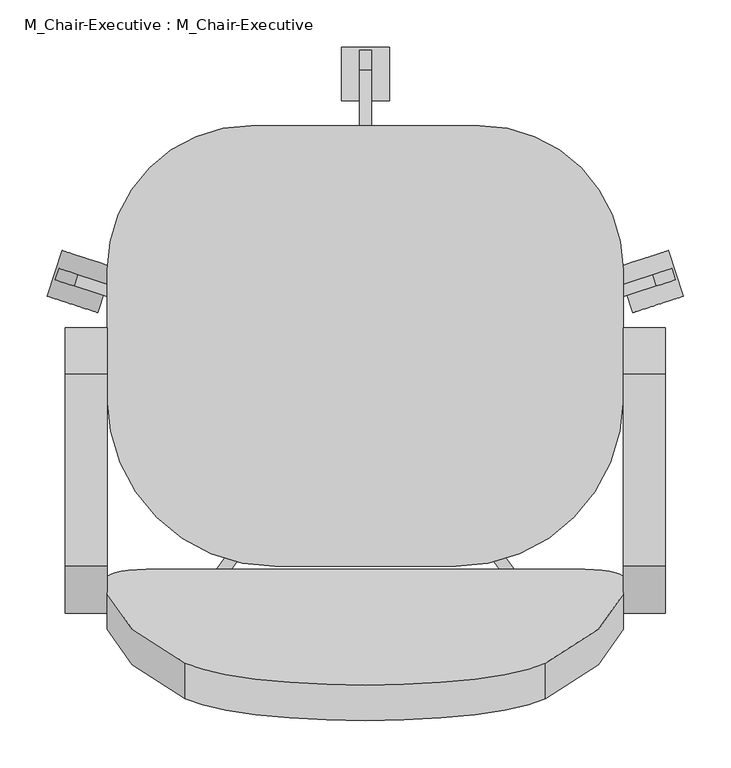
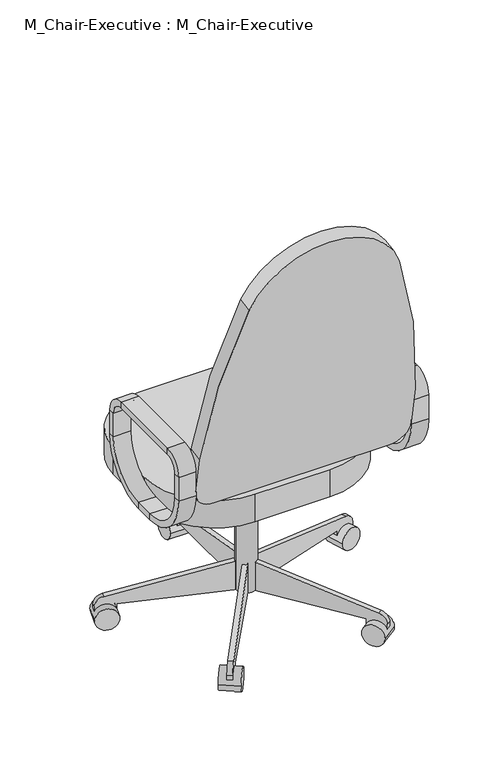
"""IFC4 building model written with IfcOpenShell, lengths in millimetres: furniture geometry, M_Chair-Executive : M_Chair-Executive."""

from ifc_helpers import new_model, si_unit, point, frame, frame_2d, origin, place, context, project, spatial, polyline, circle_curve, trimmed, segment, composite_curve, outline, extrude, source, transform, mapped, element, save
from ifc_brep_helpers import plane_surface, cylinder_surface, revolved_surface, advanced_brep


def m_chair_executive_m_chair_executive_8d69e98c(model_context):
    return source(origin(), model_context, "Body", "SolidModel", [
        advanced_brep(
        [(-176.5091803, -217.7873012, 546.1), (-176.5091803, -108.0540984, 436.3667972), (-176.5091803, -108.0540984, 420.4917972), (-176.5091803, -233.6623012, 546.1), (-132.0591803, -217.7873012, 546.1), (-132.0591803, -108.0540984, 436.3667972), (-132.0591803, -233.6623012, 546.1), (-132.0591803, -108.0540984, 420.4917972), (-176.5091803, -233.6623012, 609.6), (-176.5091803, -217.7873012, 609.6), (-132.0591803, -217.7873012, 609.6), (-132.0591803, -233.6623012, 609.6), (-176.5091803, -184.2540984, 643.1332028), (-176.5091803, -184.2540984, 659.0082028), (-132.0591803, -184.2540984, 643.1332028), (-132.0591803, -184.2540984, 659.0082028), (-176.5091803, 18.9459016, 659.0082028), (-176.5091803, 18.9459016, 643.1332028), (-132.0591803, 18.9459016, 643.1332028), (-132.0591803, 18.9459016, 659.0082028), (-176.5091803, 52.4791044, 609.6), (-176.5091803, 68.3541044, 609.6), (-132.0591803, 52.4791044, 609.6), (-132.0591803, 68.3541044, 609.6), (-176.5091803, 68.3541044, 546.1), (-176.5091803, 52.4791044, 546.1), (-132.0591803, 52.4791044, 546.1), (-132.0591803, 68.3541044, 546.1), (-176.5091803, -57.2540984, 436.3667972), (-176.5091803, -57.2540984, 420.4917972), (-132.0591803, -57.2540984, 436.3667972), (-132.0591803, -57.2540984, 420.4917972)],
        [
            (0, 1, circle_curve(frame((-176.5091803, -108.0540984, 546.1), z_axis=(1.0, 0.0, 0.0), x_axis=(0.0, 0.0, -1.0)), 109.7332028)),
            (1, 2),
            (2, 3, circle_curve(frame((-176.5091803, -108.0540984, 546.1), z_axis=(-1.0, 0.0, 0.0), x_axis=(0.0, 0.0, -1.0)), 125.6082028)),
            (3, 0),
            (4, 5, circle_curve(frame((-132.0591803, -108.0540984, 546.1), z_axis=(1.0, 0.0, 0.0), x_axis=(0.0, 0.0, -1.0)), 109.7332028)),
            (5, 1),
            (0, 4),
            (6, 7, circle_curve(frame((-132.0591803, -108.0540984, 546.1), z_axis=(1.0, 0.0, 0.0), x_axis=(0.0, 0.0, -1.0)), 125.6082028)),
            (7, 5),
            (4, 6),
            (2, 7),
            (6, 3),
            (3, 8),
            (8, 9),
            (9, 0),
            (9, 10),
            (10, 4),
            (10, 11),
            (11, 6),
            (11, 8),
            (12, 9, circle_curve(frame((-176.5091803, -184.2540984, 609.6), z_axis=(1.0, 0.0, 0.0), x_axis=(0.0, -1.0, 0.0)), 33.5332028)),
            (8, 13, circle_curve(frame((-176.5091803, -184.2540984, 609.6), z_axis=(-1.0, 0.0, 0.0), x_axis=(0.0, -1.0, 0.0)), 49.4082028)),
            (13, 12),
            (14, 10, circle_curve(frame((-132.0591803, -184.2540984, 609.6), z_axis=(1.0, 0.0, 0.0), x_axis=(0.0, -1.0, 0.0)), 33.5332028)),
            (12, 14),
            (15, 11, circle_curve(frame((-132.0591803, -184.2540984, 609.6), z_axis=(1.0, 0.0, 0.0), x_axis=(0.0, -1.0, 0.0)), 49.4082028)),
            (14, 15),
            (15, 13),
            (13, 16),
            (16, 17),
            (17, 12),
            (17, 18),
            (18, 14),
            (18, 19),
            (19, 15),
            (19, 16),
            (20, 17, circle_curve(frame((-176.5091803, 18.9459016, 609.6), z_axis=(1.0, 0.0, 0.0), x_axis=(0.0, 0.0, 1.0)), 33.5332028)),
            (16, 21, circle_curve(frame((-176.5091803, 18.9459016, 609.6), z_axis=(-1.0, 0.0, 0.0), x_axis=(0.0, 0.0, 1.0)), 49.4082028)),
            (21, 20),
            (22, 18, circle_curve(frame((-132.0591803, 18.9459016, 609.6), z_axis=(1.0, 0.0, 0.0), x_axis=(0.0, 0.0, 1.0)), 33.5332028)),
            (20, 22),
            (23, 19, circle_curve(frame((-132.0591803, 18.9459016, 609.6), z_axis=(1.0, 0.0, 0.0), x_axis=(0.0, 0.0, 1.0)), 49.4082028)),
            (22, 23),
            (23, 21),
            (21, 24),
            (24, 25),
            (25, 20),
            (25, 26),
            (26, 22),
            (26, 27),
            (27, 23),
            (27, 24),
            (28, 25, circle_curve(frame((-176.5091803, -57.2540984, 546.1), z_axis=(1.0, 0.0, 0.0), x_axis=(0.0, 1.0, 0.0)), 109.7332028)),
            (24, 29, circle_curve(frame((-176.5091803, -57.2540984, 546.1), z_axis=(-1.0, 0.0, 0.0), x_axis=(0.0, 1.0, 0.0)), 125.6082028)),
            (29, 28),
            (30, 26, circle_curve(frame((-132.0591803, -57.2540984, 546.1), z_axis=(1.0, 0.0, 0.0), x_axis=(0.0, 1.0, 0.0)), 109.7332028)),
            (28, 30),
            (31, 27, circle_curve(frame((-132.0591803, -57.2540984, 546.1), z_axis=(1.0, 0.0, 0.0), x_axis=(0.0, 1.0, 0.0)), 125.6082028)),
            (30, 31),
            (31, 29),
            (29, 2),
            (1, 28),
            (5, 30),
            (7, 31),
        ],
        [
            plane_surface(frame((-176.5091803, -108.0540984, 546.1), z_axis=(-1.0, 0.0, 0.0), x_axis=(0.0, 0.0, -1.0))),
            revolved_surface(polyline([(-176.5091803, -108.0540984, 436.3667972), (-132.0591803, -108.0540984, 436.3667972)]), (-132.0591803, -108.0540984, 546.1), (-1.0, 0.0, 0.0)),
            plane_surface(frame((-132.0591803, -108.0540984, 546.1), z_axis=(1.0, 0.0, 0.0), x_axis=(0.0, 0.0, -1.0))),
            cylinder_surface(frame((-132.0591803, -108.0540984, 546.1), z_axis=(-1.0, 0.0, 0.0), x_axis=(0.0, 0.0, -1.0)), 125.6082028),
            plane_surface(frame((-176.5091803, -233.6623012, 546.1), z_axis=(-1.0, 0.0, 0.0), x_axis=(0.0, 0.0, 1.0))),
            plane_surface(frame((-176.5091803, -217.7873012, 546.1), z_axis=(0.0, 1.0, 0.0), x_axis=(0.0, 0.0, 1.0))),
            plane_surface(frame((-132.0591803, -217.7873012, 546.1), z_axis=(1.0, 0.0, 0.0), x_axis=(0.0, 0.0, 1.0))),
            plane_surface(frame((-132.0591803, -233.6623012, 546.1), z_axis=(0.0, -1.0, 0.0), x_axis=(0.0, 0.0, 1.0))),
            plane_surface(frame((-176.5091803, -184.2540984, 609.6), z_axis=(-1.0, 0.0, 0.0), x_axis=(0.0, -1.0, 0.0))),
            revolved_surface(polyline([(-176.5091803, -217.7873012, 609.6), (-132.0591803, -217.7873012, 609.6)]), (-132.0591803, -184.2540984, 609.6), (-1.0, 0.0, 0.0)),
            plane_surface(frame((-132.0591803, -184.2540984, 609.6), z_axis=(1.0, 0.0, 0.0), x_axis=(0.0, -1.0, 0.0))),
            cylinder_surface(frame((-132.0591803, -184.2540984, 609.6), z_axis=(-1.0, 0.0, 0.0), x_axis=(0.0, -1.0, 0.0)), 49.4082028),
            plane_surface(frame((-176.5091803, -184.2540984, 659.0082028), z_axis=(-1.0, 0.0, 0.0), x_axis=(0.0, 1.0, 0.0))),
            plane_surface(frame((-176.5091803, -184.2540984, 643.1332028), z_axis=(0.0, 0.0, -1.0), x_axis=(0.0, 1.0, 0.0))),
            plane_surface(frame((-132.0591803, -184.2540984, 643.1332028), z_axis=(1.0, 0.0, 0.0), x_axis=(0.0, 1.0, 0.0))),
            plane_surface(frame((-132.0591803, -184.2540984, 659.0082028), z_axis=(0.0, 0.0, 1.0), x_axis=(0.0, 1.0, 0.0))),
            plane_surface(frame((-176.5091803, 18.9459016, 609.6), z_axis=(-1.0, 0.0, 0.0), x_axis=(0.0, 0.0, 1.0))),
            revolved_surface(polyline([(-176.5091803, 18.9459016, 643.1332028), (-132.0591803, 18.9459016, 643.1332028)]), (-132.0591803, 18.9459016, 609.6), (-1.0, 0.0, 0.0)),
            plane_surface(frame((-132.0591803, 18.9459016, 609.6), z_axis=(1.0, 0.0, 0.0), x_axis=(0.0, 0.0, 1.0))),
            cylinder_surface(frame((-132.0591803, 18.9459016, 609.6), z_axis=(-1.0, 0.0, 0.0), x_axis=(0.0, 0.0, 1.0)), 49.4082028),
            plane_surface(frame((-176.5091803, 68.3541044, 609.6), z_axis=(-1.0, 0.0, 0.0), x_axis=(0.0, 0.0, -1.0))),
            plane_surface(frame((-176.5091803, 52.4791044, 609.6), z_axis=(0.0, -1.0, 0.0), x_axis=(0.0, 0.0, -1.0))),
            plane_surface(frame((-132.0591803, 52.4791044, 609.6), z_axis=(1.0, 0.0, 0.0), x_axis=(0.0, 0.0, -1.0))),
            plane_surface(frame((-132.0591803, 68.3541044, 609.6), z_axis=(0.0, 1.0, 0.0), x_axis=(0.0, 0.0, -1.0))),
            plane_surface(frame((-176.5091803, -57.2540984, 546.1), z_axis=(-1.0, 0.0, 0.0), x_axis=(0.0, 1.0, 0.0))),
            revolved_surface(polyline([(-176.5091803, 52.479104400000004, 546.1), (-132.0591803, 52.479104400000004, 546.1)]), (-132.0591803, -57.2540984, 546.1), (-1.0, 0.0, 0.0)),
            plane_surface(frame((-132.0591803, -57.2540984, 546.1), z_axis=(1.0, 0.0, 0.0), x_axis=(0.0, 1.0, 0.0))),
            cylinder_surface(frame((-132.0591803, -57.2540984, 546.1), z_axis=(-1.0, 0.0, 0.0), x_axis=(0.0, 1.0, 0.0)), 125.6082028),
            plane_surface(frame((-176.5091803, -57.2540984, 420.4917972), z_axis=(-1.0, 0.0, 0.0), x_axis=(0.0, -1.0, 0.0))),
            plane_surface(frame((-176.5091803, -57.2540984, 436.3667972), z_axis=(0.0, 0.0, 1.0), x_axis=(0.0, -1.0, 0.0))),
            plane_surface(frame((-132.0591803, -57.2540984, 436.3667972), z_axis=(1.0, 0.0, 0.0), x_axis=(0.0, -1.0, 0.0))),
            plane_surface(frame((-132.0591803, -57.2540984, 420.4917972), z_axis=(0.0, 0.0, -1.0), x_axis=(0.0, -1.0, 0.0))),
        ],
        [
            (0, [[1, 2, 3, 4]]),
            (1, [[5, 6, -1, 7]]),
            (2, [[8, 9, -5, 10]]),
            (3, [[-3, 11, -8, 12]]),
            (4, [[-4, 13, 14, 15]]),
            (5, [[-7, -15, 16, 17]]),
            (6, [[-10, -17, 18, 19]]),
            (7, [[-12, -19, 20, -13]]),
            (8, [[21, -14, 22, 23]]),
            (9, [[24, -16, -21, 25]]),
            (10, [[26, -18, -24, 27]]),
            (11, [[-22, -20, -26, 28]]),
            (12, [[-23, 29, 30, 31]]),
            (13, [[-25, -31, 32, 33]]),
            (14, [[-27, -33, 34, 35]]),
            (15, [[-28, -35, 36, -29]]),
            (16, [[37, -30, 38, 39]]),
            (17, [[40, -32, -37, 41]]),
            (18, [[42, -34, -40, 43]]),
            (19, [[-38, -36, -42, 44]]),
            (20, [[-39, 45, 46, 47]]),
            (21, [[-41, -47, 48, 49]]),
            (22, [[-43, -49, 50, 51]]),
            (23, [[-44, -51, 52, -45]]),
            (24, [[53, -46, 54, 55]]),
            (25, [[56, -48, -53, 57]]),
            (26, [[58, -50, -56, 59]]),
            (27, [[-54, -52, -58, 60]]),
            (28, [[-55, 61, -2, 62]]),
            (29, [[-57, -62, -6, 63]]),
            (30, [[-59, -63, -9, 64]]),
            (31, [[-60, -64, -11, -61]]),
        ],
    ),
        advanced_brep(
        [(414.0408197, -233.6623012, 546.1), (414.0408197, -108.0540984, 420.4917972), (458.4908197, -108.0540984, 420.4917972), (458.4908197, -233.6623012, 546.1), (414.0408197, -217.7873012, 546.1), (414.0408197, -108.0540984, 436.3667972), (458.4908197, -217.7873012, 546.1), (458.4908197, -108.0540984, 436.3667972), (458.4908197, -233.6623012, 609.6), (414.0408197, -233.6623012, 609.6), (414.0408197, -217.7873012, 609.6), (458.4908197, -217.7873012, 609.6), (414.0408197, -184.2540984, 659.0082028), (458.4908197, -184.2540984, 659.0082028), (414.0408197, -184.2540984, 643.1332028), (458.4908197, -184.2540984, 643.1332028), (458.4908197, 18.9459016, 659.0082028), (414.0408197, 18.9459016, 659.0082028), (414.0408197, 18.9459016, 643.1332028), (458.4908197, 18.9459016, 643.1332028), (414.0408197, 68.3541044, 609.6), (458.4908197, 68.3541044, 609.6), (414.0408197, 52.4791044, 609.6), (458.4908197, 52.4791044, 609.6), (458.4908197, 68.3541044, 546.1), (414.0408197, 68.3541044, 546.1), (414.0408197, 52.4791044, 546.1), (458.4908197, 52.4791044, 546.1), (414.0408197, -57.2540984, 420.4917972), (458.4908197, -57.2540984, 420.4917972), (414.0408197, -57.2540984, 436.3667972), (458.4908197, -57.2540984, 436.3667972)],
        [
            (0, 1, circle_curve(frame((414.0408197, -108.0540984, 546.1), z_axis=(1.0, 0.0, 0.0), x_axis=(0.0, 0.0, -1.0)), 125.6082028)),
            (1, 2),
            (2, 3, circle_curve(frame((458.4908197, -108.0540984, 546.1), z_axis=(-1.0, 0.0, 0.0), x_axis=(0.0, 0.0, -1.0)), 125.6082028)),
            (3, 0),
            (4, 5, circle_curve(frame((414.0408197, -108.0540984, 546.1), z_axis=(1.0, 0.0, 0.0), x_axis=(0.0, 0.0, -1.0)), 109.7332028)),
            (5, 1),
            (0, 4),
            (6, 7, circle_curve(frame((458.4908197, -108.0540984, 546.1), z_axis=(1.0, 0.0, 0.0), x_axis=(0.0, 0.0, -1.0)), 109.7332028)),
            (7, 5),
            (4, 6),
            (2, 7),
            (6, 3),
            (3, 8),
            (8, 9),
            (9, 0),
            (9, 10),
            (10, 4),
            (10, 11),
            (11, 6),
            (11, 8),
            (12, 9, circle_curve(frame((414.0408197, -184.2540984, 609.6), z_axis=(1.0, 0.0, 0.0), x_axis=(0.0, -1.0, 0.0)), 49.4082028)),
            (8, 13, circle_curve(frame((458.4908197, -184.2540984, 609.6), z_axis=(-1.0, 0.0, 0.0), x_axis=(0.0, -1.0, 0.0)), 49.4082028)),
            (13, 12),
            (14, 10, circle_curve(frame((414.0408197, -184.2540984, 609.6), z_axis=(1.0, 0.0, 0.0), x_axis=(0.0, -1.0, 0.0)), 33.5332028)),
            (12, 14),
            (15, 11, circle_curve(frame((458.4908197, -184.2540984, 609.6), z_axis=(1.0, 0.0, 0.0), x_axis=(0.0, -1.0, 0.0)), 33.5332028)),
            (14, 15),
            (15, 13),
            (13, 16),
            (16, 17),
            (17, 12),
            (17, 18),
            (18, 14),
            (18, 19),
            (19, 15),
            (19, 16),
            (20, 17, circle_curve(frame((414.0408197, 18.9459016, 609.6), z_axis=(1.0, 0.0, 0.0), x_axis=(0.0, 0.0, 1.0)), 49.4082028)),
            (16, 21, circle_curve(frame((458.4908197, 18.9459016, 609.6), z_axis=(-1.0, 0.0, 0.0), x_axis=(0.0, 0.0, 1.0)), 49.4082028)),
            (21, 20),
            (22, 18, circle_curve(frame((414.0408197, 18.9459016, 609.6), z_axis=(1.0, 0.0, 0.0), x_axis=(0.0, 0.0, 1.0)), 33.5332028)),
            (20, 22),
            (23, 19, circle_curve(frame((458.4908197, 18.9459016, 609.6), z_axis=(1.0, 0.0, 0.0), x_axis=(0.0, 0.0, 1.0)), 33.5332028)),
            (22, 23),
            (23, 21),
            (21, 24),
            (24, 25),
            (25, 20),
            (25, 26),
            (26, 22),
            (26, 27),
            (27, 23),
            (27, 24),
            (28, 25, circle_curve(frame((414.0408197, -57.2540984, 546.1), z_axis=(1.0, 0.0, 0.0), x_axis=(0.0, 1.0, 0.0)), 125.6082028)),
            (24, 29, circle_curve(frame((458.4908197, -57.2540984, 546.1), z_axis=(-1.0, 0.0, 0.0), x_axis=(0.0, 1.0, 0.0)), 125.6082028)),
            (29, 28),
            (30, 26, circle_curve(frame((414.0408197, -57.2540984, 546.1), z_axis=(1.0, 0.0, 0.0), x_axis=(0.0, 1.0, 0.0)), 109.7332028)),
            (28, 30),
            (31, 27, circle_curve(frame((458.4908197, -57.2540984, 546.1), z_axis=(1.0, 0.0, 0.0), x_axis=(0.0, 1.0, 0.0)), 109.7332028)),
            (30, 31),
            (31, 29),
            (29, 2),
            (1, 28),
            (5, 30),
            (7, 31),
        ],
        [
            cylinder_surface(frame((414.0408197, -108.0540984, 546.1), z_axis=(-1.0, 0.0, 0.0), x_axis=(0.0, 0.0, -1.0)), 125.6082028),
            plane_surface(frame((414.0408197, -108.0540984, 546.1), z_axis=(-1.0, 0.0, 0.0), x_axis=(0.0, 0.0, -1.0))),
            revolved_surface(polyline([(414.0408197, -108.0540984, 436.3667972), (458.4908197, -108.0540984, 436.3667972)]), (414.0408197, -108.0540984, 546.1), (-1.0, 0.0, 0.0)),
            plane_surface(frame((458.4908197, -108.0540984, 546.1), z_axis=(1.0, 0.0, 0.0), x_axis=(0.0, 0.0, -1.0))),
            plane_surface(frame((458.4908197, -233.6623012, 546.1), z_axis=(0.0, -1.0, 0.0), x_axis=(0.0, 0.0, 1.0))),
            plane_surface(frame((414.0408197, -233.6623012, 546.1), z_axis=(-1.0, 0.0, 0.0), x_axis=(0.0, 0.0, 1.0))),
            plane_surface(frame((414.0408197, -217.7873012, 546.1), z_axis=(0.0, 1.0, 0.0), x_axis=(0.0, 0.0, 1.0))),
            plane_surface(frame((458.4908197, -217.7873012, 546.1), z_axis=(1.0, 0.0, 0.0), x_axis=(0.0, 0.0, 1.0))),
            cylinder_surface(frame((414.0408197, -184.2540984, 609.6), z_axis=(-1.0, 0.0, 0.0), x_axis=(0.0, -1.0, 0.0)), 49.4082028),
            plane_surface(frame((414.0408197, -184.2540984, 609.6), z_axis=(-1.0, 0.0, 0.0), x_axis=(0.0, -1.0, 0.0))),
            revolved_surface(polyline([(414.0408197, -217.7873012, 609.6), (458.4908197, -217.7873012, 609.6)]), (414.0408197, -184.2540984, 609.6), (-1.0, 0.0, 0.0)),
            plane_surface(frame((458.4908197, -184.2540984, 609.6), z_axis=(1.0, 0.0, 0.0), x_axis=(0.0, -1.0, 0.0))),
            plane_surface(frame((458.4908197, -184.2540984, 659.0082028), z_axis=(0.0, 0.0, 1.0), x_axis=(0.0, 1.0, 0.0))),
            plane_surface(frame((414.0408197, -184.2540984, 659.0082028), z_axis=(-1.0, 0.0, 0.0), x_axis=(0.0, 1.0, 0.0))),
            plane_surface(frame((414.0408197, -184.2540984, 643.1332028), z_axis=(0.0, 0.0, -1.0), x_axis=(0.0, 1.0, 0.0))),
            plane_surface(frame((458.4908197, -184.2540984, 643.1332028), z_axis=(1.0, 0.0, 0.0), x_axis=(0.0, 1.0, 0.0))),
            cylinder_surface(frame((414.0408197, 18.9459016, 609.6), z_axis=(-1.0, 0.0, 0.0), x_axis=(0.0, 0.0, 1.0)), 49.4082028),
            plane_surface(frame((414.0408197, 18.9459016, 609.6), z_axis=(-1.0, 0.0, 0.0), x_axis=(0.0, 0.0, 1.0))),
            revolved_surface(polyline([(414.0408197, 18.9459016, 643.1332028), (458.4908197, 18.9459016, 643.1332028)]), (414.0408197, 18.9459016, 609.6), (-1.0, 0.0, 0.0)),
            plane_surface(frame((458.4908197, 18.9459016, 609.6), z_axis=(1.0, 0.0, 0.0), x_axis=(0.0, 0.0, 1.0))),
            plane_surface(frame((458.4908197, 68.3541044, 609.6), z_axis=(0.0, 1.0, 0.0), x_axis=(0.0, 0.0, -1.0))),
            plane_surface(frame((414.0408197, 68.3541044, 609.6), z_axis=(-1.0, 0.0, 0.0), x_axis=(0.0, 0.0, -1.0))),
            plane_surface(frame((414.0408197, 52.4791044, 609.6), z_axis=(0.0, -1.0, 0.0), x_axis=(0.0, 0.0, -1.0))),
            plane_surface(frame((458.4908197, 52.4791044, 609.6), z_axis=(1.0, 0.0, 0.0), x_axis=(0.0, 0.0, -1.0))),
            cylinder_surface(frame((414.0408197, -57.2540984, 546.1), z_axis=(-1.0, 0.0, 0.0), x_axis=(0.0, 1.0, 0.0)), 125.6082028),
            plane_surface(frame((414.0408197, -57.2540984, 546.1), z_axis=(-1.0, 0.0, 0.0), x_axis=(0.0, 1.0, 0.0))),
            revolved_surface(polyline([(414.0408197, 52.479104400000004, 546.1), (458.4908197, 52.479104400000004, 546.1)]), (414.0408197, -57.2540984, 546.1), (-1.0, 0.0, 0.0)),
            plane_surface(frame((458.4908197, -57.2540984, 546.1), z_axis=(1.0, 0.0, 0.0), x_axis=(0.0, 1.0, 0.0))),
            plane_surface(frame((458.4908197, -57.2540984, 420.4917972), z_axis=(0.0, 0.0, -1.0), x_axis=(0.0, -1.0, 0.0))),
            plane_surface(frame((414.0408197, -57.2540984, 420.4917972), z_axis=(-1.0, 0.0, 0.0), x_axis=(0.0, -1.0, 0.0))),
            plane_surface(frame((414.0408197, -57.2540984, 436.3667972), z_axis=(0.0, 0.0, 1.0), x_axis=(0.0, -1.0, 0.0))),
            plane_surface(frame((458.4908197, -57.2540984, 436.3667972), z_axis=(1.0, 0.0, 0.0), x_axis=(0.0, -1.0, 0.0))),
        ],
        [
            (0, [[1, 2, 3, 4]]),
            (1, [[5, 6, -1, 7]]),
            (2, [[8, 9, -5, 10]]),
            (3, [[-3, 11, -8, 12]]),
            (4, [[-4, 13, 14, 15]]),
            (5, [[-7, -15, 16, 17]]),
            (6, [[-10, -17, 18, 19]]),
            (7, [[-12, -19, 20, -13]]),
            (8, [[21, -14, 22, 23]]),
            (9, [[24, -16, -21, 25]]),
            (10, [[26, -18, -24, 27]]),
            (11, [[-22, -20, -26, 28]]),
            (12, [[-23, 29, 30, 31]]),
            (13, [[-25, -31, 32, 33]]),
            (14, [[-27, -33, 34, 35]]),
            (15, [[-28, -35, 36, -29]]),
            (16, [[37, -30, 38, 39]]),
            (17, [[40, -32, -37, 41]]),
            (18, [[42, -34, -40, 43]]),
            (19, [[-38, -36, -42, 44]]),
            (20, [[-39, 45, 46, 47]]),
            (21, [[-41, -47, 48, 49]]),
            (22, [[-43, -49, 50, 51]]),
            (23, [[-44, -51, 52, -45]]),
            (24, [[53, -46, 54, 55]]),
            (25, [[56, -48, -53, 57]]),
            (26, [[58, -50, -56, 59]]),
            (27, [[-54, -52, -58, 60]]),
            (28, [[-55, 61, -2, 62]]),
            (29, [[-57, -62, -6, 63]]),
            (30, [[-59, -63, -9, 64]]),
            (31, [[-60, -64, -11, -61]]),
        ],
    ),
        extrude(outline(composite_curve([segment(trimmed(circle_curve(frame_2d((0.0, -50.8)), 50.8), [point((0.0, 0.0))], [point((50.8, -50.8))], False, "CARTESIAN"), True, "CONTINUOUS"), segment(polyline([(50.8, -50.8), (50.8, -152.4)]), True, "CONTINUOUS"), segment(trimmed(circle_curve(frame_2d((-1471.2021854, -74.3913617)), 1524.0), [point((50.8, -152.4))], [point((-31.75, -574.9444618))], False, "CARTESIAN"), True, "CONTINUOUS"), segment(trimmed(circle_curve(frame_2d((-222.25, -504.2338544)), 203.2), [point((-31.75, -574.9444618))], [point((-412.75, -574.9444618))], False, "CARTESIAN"), True, "CONTINUOUS"), segment(trimmed(circle_curve(frame_2d((1026.7021854, -74.3913617)), 1524.0), [point((-412.75, -574.9444618))], [point((-495.3, -152.4))], False, "CARTESIAN"), True, "CONTINUOUS"), segment(polyline([(-495.3, -152.4), (-495.3, -50.8)]), True, "CONTINUOUS"), segment(trimmed(circle_curve(frame_2d((-444.5, -50.8)), 50.8), [point((-495.3, -50.8))], [point((-444.5, 0.0))], False, "CARTESIAN"), True, "CONTINUOUS"), segment(polyline([(-444.5, 0.0), (0.0, 0.0)]), True, "CONTINUOUS")], self_intersect=False)), frame((363.2408197, -224.5698964, 503.1641822), z_axis=(0.0, 0.9848077530122084, 0.17364817766692853), x_axis=(1.0, 0.0, 0.0)), (0.0, 0.0, 1.0), 38.1),
        extrude(outline(composite_curve([segment(trimmed(circle_curve(frame_2d((20.3408197, 129.4961016)), 152.4), [point((-132.0591803, 129.4961016))], [point((20.3408197, 281.8961016))], False, "CARTESIAN"), True, "CONTINUOUS"), segment(polyline([(20.3408197, 281.8961016), (261.6408197, 281.8961016)]), True, "CONTINUOUS"), segment(trimmed(circle_curve(frame_2d((261.6408197, 129.4961016)), 152.4), [point((261.6408197, 281.8961016))], [point((414.0408197, 129.4961016))], False, "CARTESIAN"), True, "CONTINUOUS"), segment(polyline([(414.0408197, 129.4961016), (414.0408197, -6.4540984)]), True, "CONTINUOUS"), segment(trimmed(circle_curve(frame_2d((236.2408197, -6.4540984)), 177.8), [point((414.0408197, -6.4540984))], [point((236.2408197, -184.2540984))], False, "CARTESIAN"), True, "CONTINUOUS"), segment(polyline([(236.2408197, -184.2540984), (45.7408197, -184.2540984)]), True, "CONTINUOUS"), segment(trimmed(circle_curve(frame_2d((45.7408197, -6.4540984)), 177.8), [point((45.7408197, -184.2540984))], [point((-132.0591803, -6.4540984))], False, "CARTESIAN"), True, "CONTINUOUS"), segment(polyline([(-132.0591803, -6.4540984), (-132.0591803, 129.4961016)]), True, "CONTINUOUS")], self_intersect=False)), frame((0.0, 0.0, 383.7835944), z_axis=(0.0, 0.0, 1.0), x_axis=(1.0, 0.0, 0.0)), (0.0, 0.0, 1.0), 73.4164056),
        extrude(outline(composite_curve([segment(trimmed(circle_curve(frame_2d((140.9908197, 18.9459016)), 25.4), [point((115.5908197, 18.9459016))], [point((166.3908197, 18.9459016))], False, "CARTESIAN"), True, "CONTINUOUS"), segment(trimmed(circle_curve(frame_2d((140.9908197, 18.9459016)), 25.4), [point((166.3908197, 18.9459016))], [point((115.5908197, 18.9459016))], False, "CARTESIAN"), True, "CONTINUOUS")], self_intersect=False)), frame((0.0, 0.0, 53.5835944), z_axis=(0.0, 0.0, 1.0), x_axis=(1.0, 0.0, 0.0)), (0.0, 0.0, 1.0), 330.5914056),
        extrude(outline(composite_curve([segment(trimmed(circle_curve(frame_2d((0.0, -28.2002727)), 28.2002727), [point((0.0, -56.4005455))], [point((0.0, 0.0))], False, "CARTESIAN"), True, "CONTINUOUS"), segment(trimmed(circle_curve(frame_2d((0.0, -28.2002727)), 28.2002727), [point((0.0, 0.0))], [point((0.0, -56.4005455))], False, "CARTESIAN"), True, "CONTINUOUS")], self_intersect=False)), frame((477.6203484, 101.6163254, 28.1835944), z_axis=(-0.3090169943749423, 0.9510565162951553, 0.0), x_axis=(0.0, 0.0, 1.0)), (0.0, 0.0, 1.0), 50.8),
        extrude(outline(composite_curve([segment(polyline([(-25.4, 0.0), (0.0, 0.0), (0.0, -50.8), (-24.303053, -50.8)]), True, "CONTINUOUS"), segment(trimmed(circle_curve(frame_2d((-24.303053, -25.4)), 25.4), [point((-24.303053, -50.8))], [point((-49.3171699, -29.8106637))], False, "CARTESIAN"), True, "CONTINUOUS"), segment(polyline([(-49.3171699, -29.8106637), (-101.6, 266.7), (-101.6, 292.1), (-25.4, 292.1), (-25.4, 0.0)]), True, "CONTINUOUS")], self_intersect=False)), frame((420.756686, 103.1705568, 28.1835944), z_axis=(-0.3090169943749423, 0.9510565162951553, 0.0), x_axis=(0.0, 0.0, -1.0)), (0.0, 0.0, 1.0), 12.7),
        extrude(outline(composite_curve([segment(trimmed(circle_curve(frame_2d((0.0, -28.2002727)), 28.2002727), [point((0.0, -56.4005455))], [point((0.0, 0.0))], False, "CARTESIAN"), True, "CONTINUOUS"), segment(trimmed(circle_curve(frame_2d((0.0, -28.2002727)), 28.2002727), [point((0.0, 0.0))], [point((0.0, -56.4005455))], False, "CARTESIAN"), True, "CONTINUOUS")], self_intersect=False)), frame((323.63931, -275.6612394, 28.1835944), z_axis=(0.8090169943749499, 0.5877852522924699, 0.0), x_axis=(0.0, 0.0, 1.0)), (0.0, 0.0, 1.0), 50.8),
        extrude(outline(composite_curve([segment(polyline([(-25.4, 0.0), (0.0, 0.0), (0.0, -50.8), (-24.303053, -50.8)]), True, "CONTINUOUS"), segment(trimmed(circle_curve(frame_2d((-24.303053, -25.3999999)), 25.4), [point((-24.303053, -50.8))], [point((-49.3171699, -29.8106636))], False, "CARTESIAN"), True, "CONTINUOUS"), segment(polyline([(-49.3171699, -29.8106636), (-101.6, 266.7), (-101.6, 292.1), (-25.4, 292.1), (-25.4, 0.0)]), True, "CONTINUOUS")], self_intersect=False)), frame((307.545634, -221.1003988, 28.1835944), z_axis=(0.8090169943749499, 0.5877852522924699, 0.0), x_axis=(0.0, 0.0, -1.0)), (0.0, 0.0, 1.0), 12.7),
        extrude(outline(composite_curve([segment(trimmed(circle_curve(frame_2d((0.0, -28.2002727)), 28.2002727), [point((0.0, -56.4005455))], [point((0.0, 0.0))], False, "CARTESIAN"), True, "CONTINUOUS"), segment(trimmed(circle_curve(frame_2d((0.0, -28.2002727)), 28.2002727), [point((0.0, 0.0))], [point((0.0, -56.4005455))], False, "CARTESIAN"), True, "CONTINUOUS")], self_intersect=False)), frame((-41.6576707, -275.6612394, 28.1835944), z_axis=(-0.8090169943749458, 0.5877852522924754, 0.0), x_axis=(0.0, 0.0, -1.0)), (0.0, 0.0, 1.0), 50.8),
        extrude(outline(composite_curve([segment(polyline([(25.4, 0.0), (25.4, 292.1), (101.6, 292.1), (101.6, 266.7), (49.3171699, -29.8106637)]), True, "CONTINUOUS"), segment(trimmed(circle_curve(frame_2d((24.303053, -25.3999999)), 25.4), [point((49.3171699, -29.8106637))], [point((24.303053, -50.8))], False, "CARTESIAN"), True, "CONTINUOUS"), segment(polyline([(24.303053, -50.8), (0.0, -50.8), (0.0, 0.0), (25.4, 0.0)]), True, "CONTINUOUS")], self_intersect=False)), frame((-25.5639946, -221.1003988, 28.1835944), z_axis=(-0.8090169943749459, 0.5877852522924754, 0.0), x_axis=(0.0, 0.0, 1.0)), (0.0, 0.0, 1.0), 12.7),
        extrude(outline(composite_curve([segment(trimmed(circle_curve(frame_2d((0.0, -28.2002727)), 28.2002727), [point((0.0, -56.4005454))], [point((0.0, 0.0))], False, "CARTESIAN"), True, "CONTINUOUS"), segment(trimmed(circle_curve(frame_2d((0.0, -28.2002727)), 28.2002727), [point((0.0, 0.0))], [point((0.0, -56.4005454))], False, "CARTESIAN"), True, "CONTINUOUS")], self_intersect=False)), frame((-195.638709, 101.6163254, 28.1835944), z_axis=(0.3090169943749487, 0.9510565162951532, 0.0), x_axis=(0.0, 0.0, -1.0)), (0.0, 0.0, 1.0), 50.8),
        extrude(outline(composite_curve([segment(polyline([(25.4, 0.0), (25.4, 292.1000001), (101.6, 292.1000001), (101.6, 266.7), (49.3171699, -29.8106636)]), True, "CONTINUOUS"), segment(trimmed(circle_curve(frame_2d((24.303053, -25.4)), 25.4), [point((49.3171699, -29.8106636))], [point((24.303053, -50.8))], False, "CARTESIAN"), True, "CONTINUOUS"), segment(polyline([(24.303053, -50.8), (0.0, -50.8), (0.0, 0.0), (25.4, 0.0)]), True, "CONTINUOUS")], self_intersect=False)), frame((-138.7750467, 103.1705568, 28.1835944), z_axis=(0.3090169943749487, 0.9510565162951532, 0.0), x_axis=(0.0, 0.0, 1.0)), (0.0, 0.0, 1.0), 12.7),
        extrude(outline(composite_curve([segment(trimmed(circle_curve(frame_2d((336.4459016, 28.1835944)), 28.2002727), [point((308.2456289, 28.1835944))], [point((364.6461744, 28.1835944))], False, "CARTESIAN"), True, "CONTINUOUS"), segment(trimmed(circle_curve(frame_2d((336.4459016, 28.1835944)), 28.2002727), [point((364.6461744, 28.1835944))], [point((308.2456289, 28.1835944))], False, "CARTESIAN"), True, "CONTINUOUS")], self_intersect=False)), frame((115.5908197, 0.0, 0.0), z_axis=(1.0, 0.0, 0.0), x_axis=(0.0, 1.0, 0.0)), (0.0, 0.0, 1.0), 50.8),
        extrude(outline(composite_curve([segment(polyline([(311.0459016, 53.5835944), (18.9459016, 53.5835944), (18.9459016, 129.7835944), (44.3459016, 129.7835944), (340.8565654, 77.5007643)]), True, "CONTINUOUS"), segment(trimmed(circle_curve(frame_2d((336.4459016, 52.4866474)), 25.4), [point((340.8565654, 77.5007643))], [point((361.8459016, 52.4866474))], False, "CARTESIAN"), True, "CONTINUOUS"), segment(polyline([(361.8459016, 52.4866474), (361.8459016, 28.1835944), (311.0459016, 28.1835944), (311.0459016, 53.5835944)]), True, "CONTINUOUS")], self_intersect=False)), frame((134.6408197, 0.0, 0.0), z_axis=(1.0, 0.0, 0.0), x_axis=(0.0, 1.0, 0.0)), (0.0, 0.0, 1.0), 12.7),
        extrude(outline(polyline([(69.7459016, 383.7835944), (69.7459016, 371.0835944), (18.9459016, 283.0954134), (-19.1540984, 283.0954134), (-19.1540984, 383.7835944), (69.7459016, 383.7835944)])), frame((90.1908197, 0.0, 0.0), z_axis=(1.0, 0.0, 0.0), x_axis=(0.0, 1.0, 0.0)), (0.0, 0.0, 1.0), 101.6),
    ])


if __name__ == "__main__":
    model = new_model("IFC4")
    model_context = context("Model", 3, world=origin())
    ifc_project = project(units=[si_unit("LENGTHUNIT", "METRE", prefix="MILLI")], contexts=[model_context])
    site = spatial("IfcSite", under=ifc_project)
    building = spatial("IfcBuilding", under=site)
    placement = place(None, origin())
    m_chair_executive_m_chair_executive_shape = m_chair_executive_m_chair_executive_8d69e98c(model_context)
    element("IfcFurniture", 1, ObjectType="M_Chair-Executive : M_Chair-Executive", at=placement, inside=building, context=model_context, shape_type="MappedRepresentation", body=[
        mapped(m_chair_executive_m_chair_executive_shape, transform((0.0, 0.0, 0.0), x_axis=(1.0, 0.0, 0.0), y_axis=(0.0, 1.0, 0.0), z_axis=(0.0, 0.0, 1.0))),
    ])
    save(model, "model.ifc")
